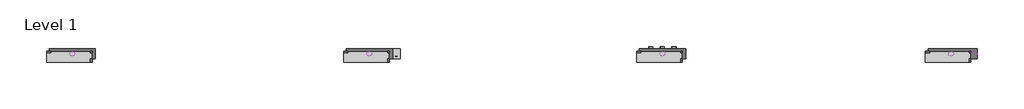
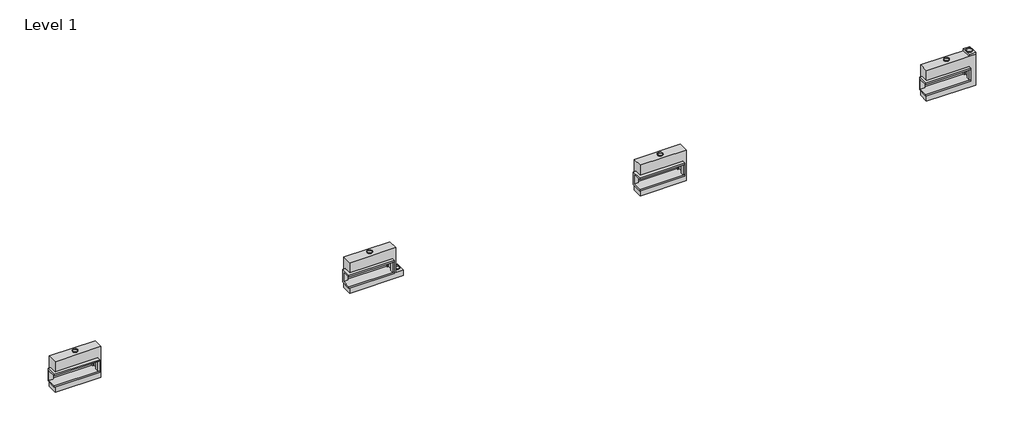
# One storey: 16 proxies.
"""IFC4 building model written with IfcOpenShell, lengths in millimetres."""

import ifcopenshell
import ifcopenshell.guid

model = None  # the IFC model being written
_history = None  # IfcOwnerHistory: only IFC2X3 demands one
_inside = {}  # id of a spatial element -> (the spatial element, [elements in it])
_under = {}  # id of a project, library or spatial element -> (it, [spatial elements below it])
_declared = {}  # id of a project -> (the project, [libraries it declares])
_typed = {}  # id of a type object -> (the type object, [elements of that type])
_made_of = {}  # id of a material, layer set ... -> (it, [elements and type objects made of it])


def new_model(schema):
    """Start an empty IFC model of exactly this schema.

    Asked for "IFC4X3", IfcOpenShell would pick the latest addendum, in which some entities
    have other attributes; the version numbers below select the first issue.
    IFC2X3 requires an IfcOwnerHistory on every rooted entity: one is made here for all.
    """
    global model, _history
    if schema == "IFC4X3":
        model = ifcopenshell.file(schema_version=(4, 3, 0, 0))
    else:
        model = ifcopenshell.file(schema=schema)
    _inside.clear()
    _under.clear()
    _declared.clear()
    _typed.clear()
    _made_of.clear()
    _history = None
    if model.schema == "IFC2X3":
        org = make("IfcOrganization", Name="unknown")
        user = make(
            "IfcPersonAndOrganization",
            ThePerson=make("IfcPerson", FamilyName="unknown"),
            TheOrganization=org,
        )
        app = make(
            "IfcApplication",
            ApplicationDeveloper=org,
            Version="unknown",
            ApplicationFullName="unknown",
            ApplicationIdentifier="unknown",
        )
        _history = make(
            "IfcOwnerHistory",
            OwningUser=user,
            OwningApplication=app,
            ChangeAction="ADDED",
            CreationDate=0,
        )
    return model


def make(cls, **values):
    """One entity of the class cls with the attributes given. An attribute that is None is left unset."""
    return model.create_entity(
        cls, **{name: value for name, value in values.items() if value is not None}
    )


def rooted(cls, **values):
    """An entity with a GlobalId (a new one), such as an element, a storey or a relation."""
    return make(cls, GlobalId=ifcopenshell.guid.new(), OwnerHistory=_history, **values)


def si_unit(unit_type, name, prefix=None):
    """IfcSIUnit, for example si_unit("LENGTHUNIT", "METRE", prefix="MILLI")."""
    return make("IfcSIUnit", UnitType=unit_type, Prefix=prefix, Name=name)


def assignment(units):
    """IfcUnitAssignment: the units of a project."""
    return None if units is None else make("IfcUnitAssignment", Units=units)


def point(xyz):
    """IfcCartesianPoint."""
    return None if xyz is None else make("IfcCartesianPoint", Coordinates=xyz)


def direction(xyz):
    """IfcDirection."""
    return None if xyz is None else make("IfcDirection", DirectionRatios=xyz)


def frame(location, z_axis=None, x_axis=None):
    """IfcAxis2Placement3D, a coordinate frame: its origin and axes. An axis left out is left unset."""
    return make(
        "IfcAxis2Placement3D",
        Location=point(location),
        Axis=direction(z_axis),
        RefDirection=direction(x_axis),
    )


def frame_2d(location, x_axis=None):
    """IfcAxis2Placement2D, a coordinate frame in the plane: its origin and x axis."""
    return make(
        "IfcAxis2Placement2D", Location=point(location), RefDirection=direction(x_axis)
    )


def origin():
    """The frame at (0, 0, 0) with its axes left unset."""
    return frame((0.0, 0.0, 0.0))


def origin_with_axes():
    """The frame at (0, 0, 0) with the z axis (0, 0, 1) and the x axis (1, 0, 0) written out."""
    return frame((0.0, 0.0, 0.0), z_axis=(0.0, 0.0, 1.0), x_axis=(1.0, 0.0, 0.0))


def origin_2d():
    """The frame at (0, 0) in the plane with its x axis left unset."""
    return frame_2d((0.0, 0.0))


def place(relative_to, where):
    """IfcLocalPlacement: puts the frame where relative to a parent placement (None: the world)."""
    return make(
        "IfcLocalPlacement", PlacementRelTo=relative_to, RelativePlacement=where
    )


def context(
    kind, dimensions, precision=None, world=None, true_north=None, identifier=None
):
    """IfcGeometricRepresentationContext, for example the 3D "Model" context."""
    return make(
        "IfcGeometricRepresentationContext",
        ContextIdentifier=identifier,
        ContextType=kind,
        CoordinateSpaceDimension=dimensions,
        Precision=precision,
        WorldCoordinateSystem=world,
        TrueNorth=true_north,
    )


def project(units=None, contexts=None):
    """IfcProject with its units and contexts."""
    return rooted(
        "IfcProject",
        Name="project",
        RepresentationContexts=contexts,
        UnitsInContext=assignment(units),
    )


def spatial(cls, under=None, at=None, **own):
    """A site, building, storey or space (cls), placed at a placement, below another one or the project."""
    s = rooted(cls, ObjectPlacement=at, **own)
    if under is not None:
        _under.setdefault(under.id(), (under, []))[1].append(s)
    return s


def polyline(points):
    """IfcPolyline through the points."""
    return make("IfcPolyline", Points=[point(p) for p in points])


def circle_curve(where, radius):
    """IfcCircle in the frame where."""
    return make("IfcCircle", Position=where, Radius=radius)


def trimmed(basis, trim1, trim2, sense, master):
    """IfcTrimmedCurve: the piece of a basis curve between two trims."""
    return make(
        "IfcTrimmedCurve",
        BasisCurve=basis,
        Trim1=trim1,
        Trim2=trim2,
        SenseAgreement=sense,
        MasterRepresentation=master,
    )


def segment(curve, same_sense, transition):
    """IfcCompositeCurveSegment."""
    return make(
        "IfcCompositeCurveSegment",
        Transition=transition,
        SameSense=same_sense,
        ParentCurve=curve,
    )


def composite_curve(segments, self_intersect=None):
    """IfcCompositeCurve: segments joined end to end."""
    return make("IfcCompositeCurve", Segments=segments, SelfIntersect=self_intersect)


def outline(outer, holes=None, kind="AREA"):
    """IfcArbitraryClosedProfileDef: a profile drawn as a closed curve; with holes, ...WithVoids."""
    if holes is None:
        return make("IfcArbitraryClosedProfileDef", ProfileType=kind, OuterCurve=outer)
    return make(
        "IfcArbitraryProfileDefWithVoids",
        ProfileType=kind,
        OuterCurve=outer,
        InnerCurves=holes,
    )


def extrude(swept, where, along, depth):
    """IfcExtrudedAreaSolid: the profile swept, set in the frame where, extruded along a direction by depth."""
    return make(
        "IfcExtrudedAreaSolid",
        SweptArea=swept,
        Position=where,
        ExtrudedDirection=direction(along),
        Depth=depth,
    )


def faces_of(points, faces, orient=None, outer=None):
    """IfcFace entities. A face is a list of loops; a loop is a list of indices into points, from 0.

    orient and outer hold one flag for each loop. By default every Orientation is true, the
    first loop of a face is its IfcFaceOuterBound and the others are IfcFaceBound.
    """
    made = []
    for i, loops in enumerate(faces):
        bounds = []
        for j, loop in enumerate(loops):
            is_outer = j == 0 if outer is None else outer[i][j]
            bounds.append(
                make(
                    "IfcFaceOuterBound" if is_outer else "IfcFaceBound",
                    Bound=make("IfcPolyLoop", Polygon=[points[k] for k in loop]),
                    Orientation=True if orient is None else orient[i][j],
                )
            )
        made.append(make("IfcFace", Bounds=bounds))
    return made


def faceted_brep(points, faces, orient=None, outer=None, voids=None):
    """IfcFacetedBrep: a solid bounded by flat faces; with voids (closed shells), ...WithVoids."""
    shared = [point(p) for p in points]
    hull = make("IfcClosedShell", CfsFaces=faces_of(shared, faces, orient, outer))
    if voids is None:
        return make("IfcFacetedBrep", Outer=hull)
    return make(
        "IfcFacetedBrepWithVoids",
        Outer=hull,
        Voids=[
            make(cls, CfsFaces=faces_of(shared, fs, o, b)) for cls, fs, o, b in voids
        ],
    )


def shape(context_of_items, identifier, shape_type, items):
    """IfcShapeRepresentation: the items that make up one representation, for example the "Body"."""
    return make(
        "IfcShapeRepresentation",
        ContextOfItems=context_of_items,
        RepresentationIdentifier=identifier,
        RepresentationType=shape_type,
        Items=items,
    )


def source(mapping_origin, context_of_items, identifier, shape_type, items):
    """IfcRepresentationMap: a shape defined once, which mapped items show again and again."""
    return make(
        "IfcRepresentationMap",
        MappingOrigin=mapping_origin,
        MappedRepresentation=shape(context_of_items, identifier, shape_type, items),
    )


def transform(
    local_origin,
    x_axis=None,
    y_axis=None,
    z_axis=None,
    scale=None,
    scale2=None,
    scale3=None,
    uniform=True,
):
    """IfcCartesianTransformationOperator3D, or its non-uniform kind. x_axis, y_axis, z_axis: its Axis1, 2, 3."""
    if uniform:
        return make(
            "IfcCartesianTransformationOperator3D",
            Axis1=direction(x_axis),
            Axis2=direction(y_axis),
            LocalOrigin=point(local_origin),
            Scale=scale,
            Axis3=direction(z_axis),
        )
    return make(
        "IfcCartesianTransformationOperator3DnonUniform",
        Axis1=direction(x_axis),
        Axis2=direction(y_axis),
        LocalOrigin=point(local_origin),
        Scale=scale,
        Axis3=direction(z_axis),
        Scale2=scale2,
        Scale3=scale3,
    )


def mapped(mapping_source, mapping_target):
    """IfcMappedItem: shows the shape of a source again, moved by a transform."""
    return make(
        "IfcMappedItem", MappingSource=mapping_source, MappingTarget=mapping_target
    )


def made_of(thing, what):
    """Note that an element or type object is made of a material, layer set ...; save() writes the relation."""
    if what is not None:
        _made_of.setdefault(what.id(), (what, []))[1].append(thing)
    return thing


def element(
    cls,
    number,
    at=None,
    inside=None,
    cuts=None,
    type_object=None,
    material=None,
    context=None,
    identifier="Body",
    shape_type=None,
    held_by="IfcProductDefinitionShape",
    body=None,
    shapes=None,
    **own,
):
    """One element of the class cls, such as IfcWall. Its Tag is "e" and its number.

    at: its placement. inside: the storey or other place that contains it. cuts: it is an
    opening in that element (IfcRelVoidsElement). A single representation is given by context,
    identifier, shape_type and body (its items); several are given by shapes. held_by: the class
    of the entity that holds the representations. save() writes the other relations.
    """
    e = rooted(cls, Tag="e%d" % number, ObjectPlacement=at, **own)
    if body is not None:
        shapes = [shape(context, identifier, shape_type, body)]
    if shapes is not None:
        e.Representation = make(held_by, Representations=shapes)
    if inside is not None:
        _inside.setdefault(inside.id(), (inside, []))[1].append(e)
    if cuts is not None:
        rooted(
            "IfcRelVoidsElement", RelatingBuildingElement=cuts, RelatedOpeningElement=e
        )
    if type_object is not None:
        _typed.setdefault(type_object.id(), (type_object, []))[1].append(e)
    return made_of(e, material)


def aggregate(whole, parts):
    """IfcRelAggregates: a whole, such as a stair, and the parts it consists of."""
    return rooted("IfcRelAggregates", RelatingObject=whole, RelatedObjects=parts)


def save(model, path):
    """Write the relations noted so far, then the file.

    IfcRelAggregates (storeys below a building ...), IfcRelContainedInSpatialStructure (elements
    in a storey), IfcRelDefinesByType, IfcRelAssociatesMaterial and IfcRelDeclares: one each for
    every whole, place, type object, material and project.
    """
    for whole, parts in _under.values():
        aggregate(whole, parts)
    for where, things in _inside.values():
        rooted(
            "IfcRelContainedInSpatialStructure",
            RelatedElements=things,
            RelatingStructure=where,
        )
    for kind, things in _typed.values():
        rooted("IfcRelDefinesByType", RelatedObjects=things, RelatingType=kind)
    for what, things in _made_of.values():
        rooted("IfcRelAssociatesMaterial", RelatedObjects=things, RelatingMaterial=what)
    for by, libraries in _declared.values():
        rooted("IfcRelDeclares", RelatingContext=by, RelatedDefinitions=libraries)
    model.write(path)


def as_specified_5f07c0fa(model_context):
    return source(origin(), model_context, "Body", "SolidModel", [
        extrude(outline(polyline([(882.65, 196.85), (958.85, 196.85), (958.85, -311.15), (882.65, -311.15), (882.65, 196.85)])), frame((0.0, 0.0, -25.4), z_axis=(0.0, 0.0, 1.0), x_axis=(1.0, 0.0, 0.0)), (0.0, 0.0, 1.0), 165.1),
        faceted_brep([(958.85, 196.85, 139.7), (958.85, 196.85, -317.5), (958.85, -311.15, -317.5), (958.85, -311.15, 139.7), (958.85, -387.35, 139.7), (958.85, -387.35, -393.7), (958.85, 273.05, -393.7), (958.85, 273.05, 139.7), (-1250.95, 196.85, 139.7), (-1250.95, 273.05, 139.7), (-1250.95, 273.05, -393.7), (-1250.95, -387.35, -393.7), (-1250.95, -387.35, 139.7), (-1250.95, -311.15, 139.7), (-1250.95, -311.15, -317.5), (-1250.95, 196.85, -317.5), (-1047.75, 196.85, -393.7), (-1047.75, -311.15, -393.7), (882.65, -311.15, -393.7), (882.65, 196.85, -393.7), (882.65, -311.15, -317.5), (-1047.75, -311.15, -317.5), (882.65, 196.85, -317.5), (-1047.75, 196.85, -317.5)], [[[0, 1, 2, 3, 4, 5, 6, 7]], [[8, 9, 10, 11, 12, 13, 14, 15]], [[0, 7, 9, 8]], [[7, 6, 10, 9]], [[6, 5, 11, 10], [16, 17, 18, 19]], [[4, 3, 13, 12]], [[3, 2, 20, 18, 17, 21, 14, 13]], [[2, 1, 22, 20]], [[15, 14, 21, 23]], [[1, 0, 8, 15, 23, 16, 19, 22]], [[21, 17, 16, 23]], [[18, 20, 22, 19]], [[5, 4, 12, 11]]]),
        faceted_brep([(-1123.95, 793.75, -523.9742188), (1123.95, 793.75, -523.9742188), (1123.95, -488.95, -523.9742188), (1504.95, -488.95, -523.9742188), (1504.95, -793.75, -523.9742188), (-1123.95, -793.75, -523.9742188), (1123.95, 793.75, -25.4), (-1123.95, 793.75, -25.4), (-1123.95, 273.05, -25.4), (958.85, 273.05, -25.4), (958.85, -387.35, -25.4), (-1123.95, -387.35, -25.4), (-1123.95, -793.75, -25.4), (1504.95, -793.75, -25.4), (1504.95, -488.95, -25.4), (1123.95, -488.95, -25.4), (-1123.95, -387.35, -393.7), (-1123.95, 273.05, -393.7), (958.85, 273.05, -393.7), (958.85, -387.35, -393.7)], [[[0, 1, 2, 3, 4, 5]], [[6, 7, 8, 9, 10, 11, 12, 13, 14, 15]], [[1, 0, 7, 6]], [[7, 0, 5, 12, 11, 16, 17, 8]], [[1, 6, 15, 2]], [[5, 4, 13, 12]], [[18, 19, 10, 9]], [[17, 18, 9, 8]], [[19, 18, 17, 16]], [[19, 16, 11, 10]], [[4, 3, 14, 13]], [[3, 2, 15, 14]]]),
    ])


def as_specified_8753164b(model_context):
    return source(origin(), model_context, "Body", "SolidModel", [
        extrude(outline(polyline([(1276.35, 793.75), (958.85, 793.75), (958.85, 895.35), (1276.35, 895.35), (1276.35, 793.75)])), frame((0.0, 0.0, -523.9742188), z_axis=(0.0, 0.0, 1.0), x_axis=(1.0, 0.0, 0.0)), (0.0, 0.0, 1.0), 498.5742188),
        extrude(outline(polyline([(882.65, 196.85), (958.85, 196.85), (958.85, -311.15), (882.65, -311.15), (882.65, 196.85)])), frame((0.0, 0.0, -25.4), z_axis=(0.0, 0.0, 1.0), x_axis=(1.0, 0.0, 0.0)), (0.0, 0.0, 1.0), 165.1),
        faceted_brep([(958.85, 196.85, 139.7), (958.85, 196.85, -317.5), (958.85, -311.15, -317.5), (958.85, -311.15, 139.7), (958.85, -387.35, 139.7), (958.85, -387.35, -393.7), (958.85, 273.05, -393.7), (958.85, 273.05, 139.7), (-1250.95, 196.85, 139.7), (-1250.95, 273.05, 139.7), (-1250.95, 273.05, -393.7), (-1250.95, -387.35, -393.7), (-1250.95, -387.35, 139.7), (-1250.95, -311.15, 139.7), (-1250.95, -311.15, -317.5), (-1250.95, 196.85, -317.5), (-1047.75, 196.85, -393.7), (-1047.75, -311.15, -393.7), (882.65, -311.15, -393.7), (882.65, 196.85, -393.7), (882.65, -311.15, -317.5), (-1047.75, -311.15, -317.5), (882.65, 196.85, -317.5), (-1047.75, 196.85, -317.5)], [[[0, 1, 2, 3, 4, 5, 6, 7]], [[8, 9, 10, 11, 12, 13, 14, 15]], [[0, 7, 9, 8]], [[7, 6, 10, 9]], [[6, 5, 11, 10], [16, 17, 18, 19]], [[4, 3, 13, 12]], [[3, 2, 20, 18, 17, 21, 14, 13]], [[2, 1, 22, 20]], [[15, 14, 21, 23]], [[1, 0, 8, 15, 23, 16, 19, 22]], [[21, 17, 16, 23]], [[18, 20, 22, 19]], [[5, 4, 12, 11]]]),
        faceted_brep([(1276.35, 793.75, -523.9742188), (1276.35, -793.75, -523.9742188), (-1123.95, -793.75, -523.9742188), (-1123.95, 793.75, -523.9742188), (-1123.95, 793.75, -25.4), (-1123.95, 273.05, -25.4), (958.85, 273.05, -25.4), (958.85, -387.35, -25.4), (-1123.95, -387.35, -25.4), (-1123.95, -793.75, -25.4), (1276.35, -793.75, -25.4), (1276.35, 793.75, -25.4), (-1123.95, -387.35, -393.7), (-1123.95, 273.05, -393.7), (958.85, 273.05, -393.7), (958.85, -387.35, -393.7)], [[[0, 1, 2, 3]], [[4, 5, 6, 7, 8, 9, 10, 11]], [[0, 3, 4, 11]], [[4, 3, 2, 9, 8, 12, 13, 5]], [[2, 1, 10, 9]], [[14, 15, 7, 6]], [[13, 14, 6, 5]], [[15, 14, 13, 12]], [[15, 12, 8, 7]], [[1, 0, 11, 10]]]),
    ])


def as_specified_bc3ea62e(model_context):
    return source(origin(), model_context, "Body", "SolidModel", [
        extrude(outline(polyline([(882.65, 196.85), (958.85, 196.85), (958.85, -311.15), (882.65, -311.15), (882.65, 196.85)])), frame((0.0, 0.0, -25.4), z_axis=(0.0, 0.0, 1.0), x_axis=(1.0, 0.0, 0.0)), (0.0, 0.0, 1.0), 165.1),
        faceted_brep([(958.85, 196.85, 139.7), (958.85, 196.85, -317.5), (958.85, -311.15, -317.5), (958.85, -311.15, 139.7), (958.85, -387.35, 139.7), (958.85, -387.35, -393.7), (958.85, 273.05, -393.7), (958.85, 273.05, 139.7), (-1250.95, 196.85, 139.7), (-1250.95, 273.05, 139.7), (-1250.95, 273.05, -393.7), (-1250.95, -387.35, -393.7), (-1250.95, -387.35, 139.7), (-1250.95, -311.15, 139.7), (-1250.95, -311.15, -317.5), (-1250.95, 196.85, -317.5), (-1047.75, 196.85, -393.7), (-1047.75, -311.15, -393.7), (882.65, -311.15, -393.7), (882.65, 196.85, -393.7), (882.65, -311.15, -317.5), (-1047.75, -311.15, -317.5), (882.65, 196.85, -317.5), (-1047.75, 196.85, -317.5)], [[[0, 1, 2, 3, 4, 5, 6, 7]], [[8, 9, 10, 11, 12, 13, 14, 15]], [[0, 7, 9, 8]], [[7, 6, 10, 9]], [[6, 5, 11, 10], [16, 17, 18, 19]], [[4, 3, 13, 12]], [[3, 2, 20, 18, 17, 21, 14, 13]], [[2, 1, 22, 20]], [[15, 14, 21, 23]], [[1, 0, 8, 15, 23, 16, 19, 22]], [[21, 17, 16, 23]], [[18, 20, 22, 19]], [[5, 4, 12, 11]]]),
        faceted_brep([(-1123.95, 793.75, -523.9742188), (1123.95, 793.75, -523.9742188), (1123.95, -793.75, -523.9742188), (-1123.95, -793.75, -523.9742188), (1123.95, 793.75, -25.4), (-1123.95, 793.75, -25.4), (-1123.95, 273.05, -25.4), (958.85, 273.05, -25.4), (958.85, -387.35, -25.4), (-1123.95, -387.35, -25.4), (-1123.95, -793.75, -25.4), (1123.95, -793.75, -25.4), (-1123.95, -387.35, -393.7), (-1123.95, 273.05, -393.7), (958.85, 273.05, -393.7), (958.85, -387.35, -393.7)], [[[0, 1, 2, 3]], [[4, 5, 6, 7, 8, 9, 10, 11]], [[1, 0, 5, 4]], [[5, 0, 3, 10, 9, 12, 13, 6]], [[1, 4, 11, 2]], [[3, 2, 11, 10]], [[14, 15, 8, 7]], [[13, 14, 7, 6]], [[15, 14, 13, 12]], [[15, 12, 9, 8]]]),
    ])


def proxy_f96b1d40(model_context):
    return source(origin(), model_context, "Body", "SweptSolid", [
        extrude(outline(composite_curve([segment(trimmed(circle_curve(origin_2d(), 150.8125), [point((-150.8125, 0.0))], [point((150.8125, 0.0))], False, "CARTESIAN"), True, "CONTINUOUS"), segment(trimmed(circle_curve(origin_2d(), 150.8125), [point((150.8125, 0.0))], [point((-150.8125, 0.0))], False, "CARTESIAN"), True, "CONTINUOUS")], self_intersect=False), holes=[composite_curve([segment(trimmed(circle_curve(origin_2d(), 149.225), [point((-149.225, 0.0))], [point((149.225, 0.0))], True, "CARTESIAN"), True, "CONTINUOUS"), segment(trimmed(circle_curve(origin_2d(), 149.225), [point((149.225, 0.0))], [point((-149.225, 0.0))], True, "CARTESIAN"), True, "CONTINUOUS")], self_intersect=False)]), origin_with_axes(), (0.0, 0.0, 1.0), 50.8),
    ])


def proxy_5643af6b(model_context):
    return source(origin(), model_context, "Body", "SweptSolid", [
        extrude(outline(composite_curve([segment(trimmed(circle_curve(origin_2d(), 100.0125), [point((-100.0125, 0.0))], [point((100.0125, 0.0))], False, "CARTESIAN"), True, "CONTINUOUS"), segment(trimmed(circle_curve(origin_2d(), 100.0125), [point((100.0125, 0.0))], [point((-100.0125, 0.0))], False, "CARTESIAN"), True, "CONTINUOUS")], self_intersect=False), holes=[composite_curve([segment(trimmed(circle_curve(origin_2d(), 98.425), [point((-98.425, 0.0))], [point((98.425, 0.0))], True, "CARTESIAN"), True, "CONTINUOUS"), segment(trimmed(circle_curve(origin_2d(), 98.425), [point((98.425, 0.0))], [point((-98.425, 0.0))], True, "CARTESIAN"), True, "CONTINUOUS")], self_intersect=False)]), origin_with_axes(), (0.0, 0.0, 1.0), 101.6),
    ])


def proxy_c1ba4f62(model_context):
    return source(origin(), model_context, "Body", "SweptSolid", [
        extrude(outline(composite_curve([segment(trimmed(circle_curve(origin_2d(), 103.1875), [point((-103.1875, 0.0))], [point((103.1875, 0.0))], False, "CARTESIAN"), True, "CONTINUOUS"), segment(trimmed(circle_curve(origin_2d(), 103.1875), [point((103.1875, 0.0))], [point((-103.1875, 0.0))], False, "CARTESIAN"), True, "CONTINUOUS")], self_intersect=False), holes=[composite_curve([segment(trimmed(circle_curve(origin_2d(), 101.6), [point((-101.6, 0.0))], [point((101.6, 0.0))], True, "CARTESIAN"), True, "CONTINUOUS"), segment(trimmed(circle_curve(origin_2d(), 101.6), [point((101.6, 0.0))], [point((-101.6, 0.0))], True, "CARTESIAN"), True, "CONTINUOUS")], self_intersect=False)]), origin_with_axes(), (0.0, 0.0, 1.0), 6.35),
    ])


def proxy_2b585128(model_context):
    return source(origin(), model_context, "Body", "SweptSolid", [
        extrude(outline(composite_curve([segment(trimmed(circle_curve(origin_2d(), 123.825), [point((-123.825, 0.0))], [point((123.825, 0.0))], False, "CARTESIAN"), True, "CONTINUOUS"), segment(trimmed(circle_curve(origin_2d(), 123.825), [point((123.825, 0.0))], [point((-123.825, 0.0))], False, "CARTESIAN"), True, "CONTINUOUS")], self_intersect=False), holes=[composite_curve([segment(trimmed(circle_curve(origin_2d(), 122.2375), [point((-122.2375, 0.0))], [point((122.2375, 0.0))], True, "CARTESIAN"), True, "CONTINUOUS"), segment(trimmed(circle_curve(origin_2d(), 122.2375), [point((122.2375, 0.0))], [point((-122.2375, 0.0))], True, "CARTESIAN"), True, "CONTINUOUS")], self_intersect=False)]), origin_with_axes(), (0.0, 0.0, 1.0), 50.8),
    ])


model = new_model("IFC4")

# Units and contexts
model_context = context("Model", 3, world=origin())
ifc_project = project(units=[si_unit("LENGTHUNIT", "METRE", prefix="MILLI")], contexts=[model_context])

# Site, building, storey
site = spatial("IfcSite", under=ifc_project)
building = spatial("IfcBuilding", under=site)
storey = spatial("IfcBuildingStorey", under=building, Name="Level 1", Elevation=0.0)

# Proxies
placement = place(None, origin())
as_specified_shape = as_specified_5f07c0fa(model_context)
element("IfcBuildingElementProxy", 1, Name="As Specified", ObjectType="As Specified", at=placement, inside=storey, context=model_context, shape_type="MappedRepresentation", body=[
    mapped(as_specified_shape, transform((565.6597121, 1616.7712992, 1144.6311604), x_axis=(1.0, 0.0, 0.0), y_axis=(0.0, 0.0, 1.0), z_axis=(0.0, -1.0, 0.0))),
])
as_specified_2_shape = as_specified_8753164b(model_context)
element("IfcBuildingElementProxy", 2, Name="As Specified", ObjectType="As Specified", at=placement, inside=storey, context=model_context, shape_type="MappedRepresentation", body=[
    mapped(as_specified_2_shape, transform((28812.0574402, 1616.7712992, 1219.2), x_axis=(1.0, 0.0, 0.0), y_axis=(0.0, 0.0, 1.0), z_axis=(0.0, -1.0, 0.0))),
])
as_specified_3_shape = as_specified_bc3ea62e(model_context)
element("IfcBuildingElementProxy", 3, Name="As Specified", ObjectType="As Specified", at=placement, inside=storey, context=model_context, shape_type="MappedRepresentation", body=[
    mapped(as_specified_3_shape, transform((-13859.9425598, 1616.7712992, 1066.8), x_axis=(1.0, 0.0, 0.0), y_axis=(0.0, 0.0, 1.0), z_axis=(0.0, -1.0, 0.0))),
])
element("IfcBuildingElementProxy", 4, Name="As Specified", ObjectType="As Specified", at=placement, inside=storey, context=model_context, shape_type="MappedRepresentation", body=[
    mapped(as_specified_3_shape, transform((14791.2574402, 1616.7712992, 1219.2), x_axis=(1.0, 0.0, 0.0), y_axis=(0.0, 0.0, 1.0), z_axis=(0.0, -1.0, 0.0))),
])
proxy_shape = proxy_f96b1d40(model_context)
element("IfcBuildingElementProxy", 5, Name="Duct Dia : 11 7/8\" Dia.", ObjectType="Duct Dia : 11 7/8\" Dia.", at=placement, inside=storey, context=model_context, shape_type="MappedRepresentation", body=[
    mapped(proxy_shape, transform((1880.1097121, 1908.8712992, 655.6811604), x_axis=(1.0, 0.0, 0.0), y_axis=(0.0, 1.0, 0.0), z_axis=(0.0, 0.0, 1.0))),
])
element("IfcBuildingElementProxy", 6, Name="Duct Dia : 11 7/8\" Dia.", ObjectType="Duct Dia : 11 7/8\" Dia.", at=placement, inside=storey, context=model_context, shape_type="MappedRepresentation", body=[
    mapped(proxy_shape, transform((29929.6574402, 1891.4584086, 2114.55), x_axis=(1.0, 0.0, 0.0), y_axis=(0.0, 1.0, 0.0), z_axis=(0.0, 0.0, 1.0))),
])
proxy_2_shape = proxy_5643af6b(model_context)
element("IfcBuildingElementProxy", 7, Name="Duct Dia : 7 7/8\" Dia", ObjectType="Duct Dia : 7 7/8\" Dia", at=placement, inside=storey, context=model_context, shape_type="MappedRepresentation", body=[
    mapped(proxy_2_shape, transform((15353.2324402, 2140.745518, 577.85), x_axis=(1.0, 0.0, 0.0), y_axis=(0.0, 0.0, -1.0), z_axis=(0.0, 1.0, 0.0))),
])
element("IfcBuildingElementProxy", 8, Name="Duct Dia : 7 7/8\" Dia", ObjectType="Duct Dia : 7 7/8\" Dia", at=placement, inside=storey, context=model_context, shape_type="MappedRepresentation", body=[
    mapped(proxy_2_shape, transform((14229.2824402, 2140.745518, 577.85), x_axis=(1.0, 0.0, 0.0), y_axis=(0.0, 0.0, -1.0), z_axis=(0.0, 1.0, 0.0))),
])
element("IfcBuildingElementProxy", 9, Name="Duct Dia : 7 7/8\" Dia", ObjectType="Duct Dia : 7 7/8\" Dia", at=placement, inside=storey, context=model_context, shape_type="MappedRepresentation", body=[
    mapped(proxy_2_shape, transform((14791.2574402, 2140.745518, 577.85), x_axis=(1.0, 0.0, 0.0), y_axis=(0.0, 0.0, -1.0), z_axis=(0.0, 1.0, 0.0))),
])
proxy_3_shape = proxy_c1ba4f62(model_context)
element("IfcBuildingElementProxy", 10, Name="Duct Dia : 8 1/8\" Dia", ObjectType="Duct Dia : 8 1/8\" Dia", at=placement, inside=storey, context=model_context, shape_type="MappedRepresentation", body=[
    mapped(proxy_3_shape, transform((-13297.9675598, 1891.4584086, 273.05), x_axis=(-1.0, 0.0, 0.0), y_axis=(0.0, 1.0, 0.0), z_axis=(0.0, 0.0, -1.0))),
])
element("IfcBuildingElementProxy", 11, Name="Duct Dia : 8 1/8\" Dia", ObjectType="Duct Dia : 8 1/8\" Dia", at=placement, inside=storey, context=model_context, shape_type="MappedRepresentation", body=[
    mapped(proxy_3_shape, transform((-14421.9175598, 1891.4584086, 273.05), x_axis=(-1.0, 0.0, 0.0), y_axis=(0.0, 1.0, 0.0), z_axis=(0.0, 0.0, -1.0))),
])
element("IfcBuildingElementProxy", 12, Name="Duct Dia : 8 1/8\" Dia", ObjectType="Duct Dia : 8 1/8\" Dia", at=placement, inside=storey, context=model_context, shape_type="MappedRepresentation", body=[
    mapped(proxy_3_shape, transform((-13859.9425598, 1891.4584086, 273.05), x_axis=(-1.0, 0.0, 0.0), y_axis=(0.0, 1.0, 0.0), z_axis=(0.0, 0.0, -1.0))),
])
proxy_4_shape = proxy_2b585128(model_context)
element("IfcBuildingElementProxy", 13, Name="Duct Dia : 9 3/4\" Dia.", ObjectType="Duct Dia : 9 3/4\" Dia.", at=placement, inside=storey, context=model_context, shape_type="MappedRepresentation", body=[
    mapped(proxy_4_shape, transform((-13859.9425598, 1891.4584086, 1860.55), x_axis=(1.0, 0.0, 0.0), y_axis=(0.0, 1.0, 0.0), z_axis=(0.0, 0.0, 1.0))),
])
element("IfcBuildingElementProxy", 14, Name="Duct Dia : 9 3/4\" Dia.", ObjectType="Duct Dia : 9 3/4\" Dia.", at=placement, inside=storey, context=model_context, shape_type="MappedRepresentation", body=[
    mapped(proxy_4_shape, transform((565.6597121, 1891.4584086, 1938.3811604), x_axis=(1.0, 0.0, 0.0), y_axis=(0.0, 1.0, 0.0), z_axis=(0.0, 0.0, 1.0))),
])
element("IfcBuildingElementProxy", 15, Name="Duct Dia : 9 3/4\" Dia.", ObjectType="Duct Dia : 9 3/4\" Dia.", at=placement, inside=storey, context=model_context, shape_type="MappedRepresentation", body=[
    mapped(proxy_4_shape, transform((14791.2574402, 1891.4584086, 2012.95), x_axis=(1.0, 0.0, 0.0), y_axis=(0.0, 1.0, 0.0), z_axis=(0.0, 0.0, 1.0))),
])
element("IfcBuildingElementProxy", 16, Name="Duct Dia : 9 3/4\" Dia.", ObjectType="Duct Dia : 9 3/4\" Dia.", at=placement, inside=storey, context=model_context, shape_type="MappedRepresentation", body=[
    mapped(proxy_4_shape, transform((28812.0574402, 1891.4584086, 2012.95), x_axis=(1.0, 0.0, 0.0), y_axis=(0.0, 1.0, 0.0), z_axis=(0.0, 0.0, 1.0))),
])

save(model, "model.ifc")
